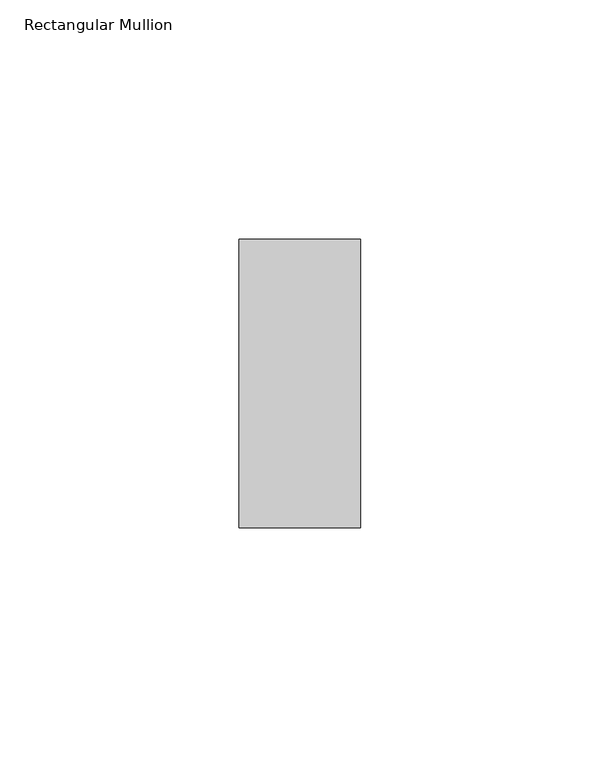
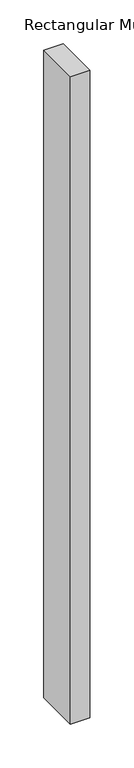
"""IFC4 building model written with IfcOpenShell, lengths in millimetres: member geometry, Rectangular Mullion."""

from ifc_helpers import new_model, si_unit, frame, origin, place, context, project, spatial, polyline, outline, extrude, source, transform, mapped, element, save


def rectangular_mullion_ba7d8325(model_context):
    return source(origin(), model_context, "Body", "SweptSolid", [
        extrude(outline(polyline([(0.0, 30.1625), (0.0, -30.1625), (-25.4, -30.1625), (-25.4, 30.1625), (0.0, 30.1625)])), frame((0.0, 0.0, -898.525), z_axis=(0.0, 0.0, 1.0), x_axis=(1.0, 0.0, 0.0)), (0.0, 0.0, 1.0), 898.525),
    ])


if __name__ == "__main__":
    model = new_model("IFC4")
    model_context = context("Model", 3, world=origin())
    ifc_project = project(units=[si_unit("LENGTHUNIT", "METRE", prefix="MILLI")], contexts=[model_context])
    site = spatial("IfcSite", under=ifc_project)
    building = spatial("IfcBuilding", under=site)
    placement = place(None, origin())
    rectangular_mullion_shape = rectangular_mullion_ba7d8325(model_context)
    element("IfcMember", 1, ObjectType="Rectangular Mullion", at=placement, inside=building, context=model_context, shape_type="MappedRepresentation", body=[
        mapped(rectangular_mullion_shape, transform((0.0, 0.0, 0.0), x_axis=(1.0, 0.0, 0.0), y_axis=(0.0, 1.0, 0.0), z_axis=(0.0, 0.0, 1.0))),
    ])
    save(model, "model.ifc")
